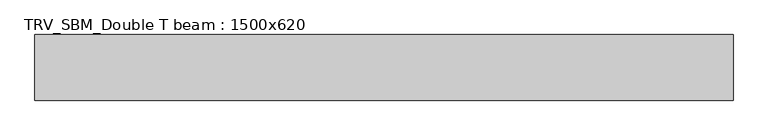
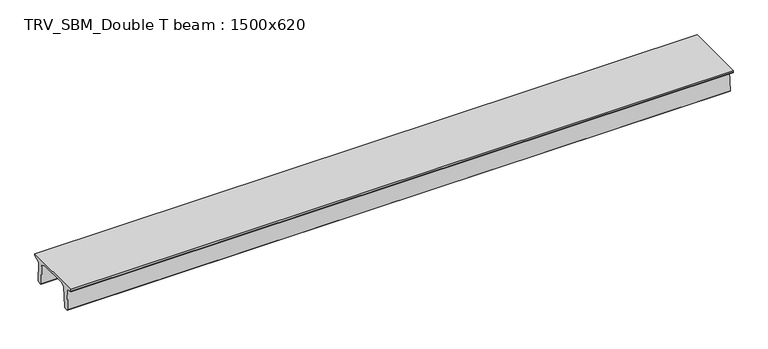
"""IFC4 building model written with IfcOpenShell, lengths in millimetres: beam geometry, TRV_SBM_Double T beam : 1500x620."""

from ifc_helpers import new_model, si_unit, frame, origin, place, context, project, spatial, polyline, outline, extrude, source, transform, mapped, element, save


def trv_sbm_double_t_beam_1500x620_00fad04d(model_context):
    return source(origin(), model_context, "Body", "SweptSolid", [
        extrude(outline(polyline([(-765.0, 215.0), (-765.0, 260.0), (735.0, 260.0), (735.0, 215.0), (728.2094488, 201.315559), (578.0626443, 140.6523122), (594.8277662, -339.4379646), (574.2657308, -360.0), (484.2657308, -360.0), (464.786332, -340.5206011), (447.8600761, 144.18395), (338.3237744, 210.0), (-367.4555014, 210.0), (-476.5389732, 151.9992892), (-507.0080378, -339.3850967), (-527.622941, -360.0), (-615.122941, -360.0), (-637.1143055, -338.0086356), (-606.1572167, 162.687806), (-761.3068466, 204.260024), (-765.0, 215.0)])), frame((-7975.5, 0.0, 0.0), z_axis=(1.0, 0.0, 0.0), x_axis=(0.0, 1.0, 0.0)), (0.0, 0.0, 1.0), 15951.0),
    ])


if __name__ == "__main__":
    model = new_model("IFC4")
    model_context = context("Model", 3, world=origin())
    ifc_project = project(units=[si_unit("LENGTHUNIT", "METRE", prefix="MILLI")], contexts=[model_context])
    site = spatial("IfcSite", under=ifc_project)
    building = spatial("IfcBuilding", under=site)
    placement = place(None, origin())
    trv_sbm_double_t_beam_1500x620_shape = trv_sbm_double_t_beam_1500x620_00fad04d(model_context)
    element("IfcBeam", 1, ObjectType="TRV_SBM_Double T beam : 1500x620", at=placement, inside=building, context=model_context, shape_type="MappedRepresentation", body=[
        mapped(trv_sbm_double_t_beam_1500x620_shape, transform((0.0, 0.0, 0.0), x_axis=(1.0, 0.0, 0.0), y_axis=(0.0, 1.0, 0.0), z_axis=(0.0, 0.0, 1.0))),
    ])
    save(model, "model.ifc")
